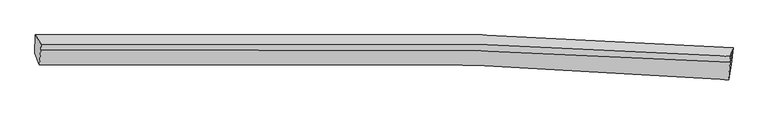
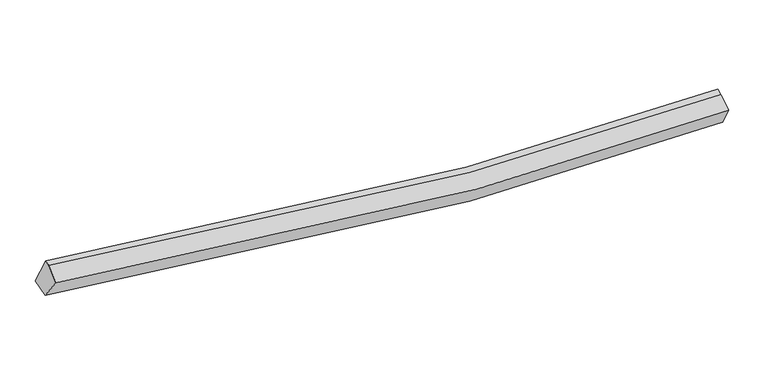
"""IFC4 building model written with IfcOpenShell, lengths in millimetres: proxy geometry."""

import ifcopenshell
import ifcopenshell.guid

model = None  # the IFC model being written
_history = None  # IfcOwnerHistory: only IFC2X3 demands one
_inside = {}  # id of a spatial element -> (the spatial element, [elements in it])
_under = {}  # id of a project, library or spatial element -> (it, [spatial elements below it])
_declared = {}  # id of a project -> (the project, [libraries it declares])
_typed = {}  # id of a type object -> (the type object, [elements of that type])
_made_of = {}  # id of a material, layer set ... -> (it, [elements and type objects made of it])


def new_model(schema):
    """Start an empty IFC model of exactly this schema.

    Asked for "IFC4X3", IfcOpenShell would pick the latest addendum, in which some entities
    have other attributes; the version numbers below select the first issue.
    IFC2X3 requires an IfcOwnerHistory on every rooted entity: one is made here for all.
    """
    global model, _history
    if schema == "IFC4X3":
        model = ifcopenshell.file(schema_version=(4, 3, 0, 0))
    else:
        model = ifcopenshell.file(schema=schema)
    _inside.clear()
    _under.clear()
    _declared.clear()
    _typed.clear()
    _made_of.clear()
    _history = None
    if model.schema == "IFC2X3":
        org = make("IfcOrganization", Name="unknown")
        user = make(
            "IfcPersonAndOrganization",
            ThePerson=make("IfcPerson", FamilyName="unknown"),
            TheOrganization=org,
        )
        app = make(
            "IfcApplication",
            ApplicationDeveloper=org,
            Version="unknown",
            ApplicationFullName="unknown",
            ApplicationIdentifier="unknown",
        )
        _history = make(
            "IfcOwnerHistory",
            OwningUser=user,
            OwningApplication=app,
            ChangeAction="ADDED",
            CreationDate=0,
        )
    return model


def make(cls, **values):
    """One entity of the class cls with the attributes given. An attribute that is None is left unset."""
    return model.create_entity(
        cls, **{name: value for name, value in values.items() if value is not None}
    )


def rooted(cls, **values):
    """An entity with a GlobalId (a new one), such as an element, a storey or a relation."""
    return make(cls, GlobalId=ifcopenshell.guid.new(), OwnerHistory=_history, **values)


def si_unit(unit_type, name, prefix=None):
    """IfcSIUnit, for example si_unit("LENGTHUNIT", "METRE", prefix="MILLI")."""
    return make("IfcSIUnit", UnitType=unit_type, Prefix=prefix, Name=name)


def assignment(units):
    """IfcUnitAssignment: the units of a project."""
    return None if units is None else make("IfcUnitAssignment", Units=units)


def point(xyz):
    """IfcCartesianPoint."""
    return None if xyz is None else make("IfcCartesianPoint", Coordinates=xyz)


def direction(xyz):
    """IfcDirection."""
    return None if xyz is None else make("IfcDirection", DirectionRatios=xyz)


def frame(location, z_axis=None, x_axis=None):
    """IfcAxis2Placement3D, a coordinate frame: its origin and axes. An axis left out is left unset."""
    return make(
        "IfcAxis2Placement3D",
        Location=point(location),
        Axis=direction(z_axis),
        RefDirection=direction(x_axis),
    )


def origin():
    """The frame at (0, 0, 0) with its axes left unset."""
    return frame((0.0, 0.0, 0.0))


def place(relative_to, where):
    """IfcLocalPlacement: puts the frame where relative to a parent placement (None: the world)."""
    return make(
        "IfcLocalPlacement", PlacementRelTo=relative_to, RelativePlacement=where
    )


def context(
    kind, dimensions, precision=None, world=None, true_north=None, identifier=None
):
    """IfcGeometricRepresentationContext, for example the 3D "Model" context."""
    return make(
        "IfcGeometricRepresentationContext",
        ContextIdentifier=identifier,
        ContextType=kind,
        CoordinateSpaceDimension=dimensions,
        Precision=precision,
        WorldCoordinateSystem=world,
        TrueNorth=true_north,
    )


def project(units=None, contexts=None):
    """IfcProject with its units and contexts."""
    return rooted(
        "IfcProject",
        Name="project",
        RepresentationContexts=contexts,
        UnitsInContext=assignment(units),
    )


def spatial(cls, under=None, at=None, **own):
    """A site, building, storey or space (cls), placed at a placement, below another one or the project."""
    s = rooted(cls, ObjectPlacement=at, **own)
    if under is not None:
        _under.setdefault(under.id(), (under, []))[1].append(s)
    return s


def shape(context_of_items, identifier, shape_type, items):
    """IfcShapeRepresentation: the items that make up one representation, for example the "Body"."""
    return make(
        "IfcShapeRepresentation",
        ContextOfItems=context_of_items,
        RepresentationIdentifier=identifier,
        RepresentationType=shape_type,
        Items=items,
    )


def source(mapping_origin, context_of_items, identifier, shape_type, items):
    """IfcRepresentationMap: a shape defined once, which mapped items show again and again."""
    return make(
        "IfcRepresentationMap",
        MappingOrigin=mapping_origin,
        MappedRepresentation=shape(context_of_items, identifier, shape_type, items),
    )


def transform(
    local_origin,
    x_axis=None,
    y_axis=None,
    z_axis=None,
    scale=None,
    scale2=None,
    scale3=None,
    uniform=True,
):
    """IfcCartesianTransformationOperator3D, or its non-uniform kind. x_axis, y_axis, z_axis: its Axis1, 2, 3."""
    if uniform:
        return make(
            "IfcCartesianTransformationOperator3D",
            Axis1=direction(x_axis),
            Axis2=direction(y_axis),
            LocalOrigin=point(local_origin),
            Scale=scale,
            Axis3=direction(z_axis),
        )
    return make(
        "IfcCartesianTransformationOperator3DnonUniform",
        Axis1=direction(x_axis),
        Axis2=direction(y_axis),
        LocalOrigin=point(local_origin),
        Scale=scale,
        Axis3=direction(z_axis),
        Scale2=scale2,
        Scale3=scale3,
    )


def mapped(mapping_source, mapping_target):
    """IfcMappedItem: shows the shape of a source again, moved by a transform."""
    return make(
        "IfcMappedItem", MappingSource=mapping_source, MappingTarget=mapping_target
    )


def made_of(thing, what):
    """Note that an element or type object is made of a material, layer set ...; save() writes the relation."""
    if what is not None:
        _made_of.setdefault(what.id(), (what, []))[1].append(thing)
    return thing


def element(
    cls,
    number,
    at=None,
    inside=None,
    cuts=None,
    type_object=None,
    material=None,
    context=None,
    identifier="Body",
    shape_type=None,
    held_by="IfcProductDefinitionShape",
    body=None,
    shapes=None,
    **own,
):
    """One element of the class cls, such as IfcWall. Its Tag is "e" and its number.

    at: its placement. inside: the storey or other place that contains it. cuts: it is an
    opening in that element (IfcRelVoidsElement). A single representation is given by context,
    identifier, shape_type and body (its items); several are given by shapes. held_by: the class
    of the entity that holds the representations. save() writes the other relations.
    """
    e = rooted(cls, Tag="e%d" % number, ObjectPlacement=at, **own)
    if body is not None:
        shapes = [shape(context, identifier, shape_type, body)]
    if shapes is not None:
        e.Representation = make(held_by, Representations=shapes)
    if inside is not None:
        _inside.setdefault(inside.id(), (inside, []))[1].append(e)
    if cuts is not None:
        rooted(
            "IfcRelVoidsElement", RelatingBuildingElement=cuts, RelatedOpeningElement=e
        )
    if type_object is not None:
        _typed.setdefault(type_object.id(), (type_object, []))[1].append(e)
    return made_of(e, material)


def aggregate(whole, parts):
    """IfcRelAggregates: a whole, such as a stair, and the parts it consists of."""
    return rooted("IfcRelAggregates", RelatingObject=whole, RelatedObjects=parts)


def save(model, path):
    """Write the relations noted so far, then the file.

    IfcRelAggregates (storeys below a building ...), IfcRelContainedInSpatialStructure (elements
    in a storey), IfcRelDefinesByType, IfcRelAssociatesMaterial and IfcRelDeclares: one each for
    every whole, place, type object, material and project.
    """
    for whole, parts in _under.values():
        aggregate(whole, parts)
    for where, things in _inside.values():
        rooted(
            "IfcRelContainedInSpatialStructure",
            RelatedElements=things,
            RelatingStructure=where,
        )
    for kind, things in _typed.values():
        rooted("IfcRelDefinesByType", RelatedObjects=things, RelatingType=kind)
    for what, things in _made_of.values():
        rooted("IfcRelAssociatesMaterial", RelatedObjects=things, RelatingMaterial=what)
    for by, libraries in _declared.values():
        rooted("IfcRelDeclares", RelatingContext=by, RelatedDefinitions=libraries)
    model.write(path)


def plane_surface(at):
    """IfcPlane: the flat surface through the origin of the frame at, square to its z axis."""
    return make("IfcPlane", Position=at)


def spline_curve(degree, points, multiplicities, knots, weights=None):
    """IfcBSplineCurveWithKnots; with weights, IfcRationalBSplineCurveWithKnots."""
    own = dict(
        Degree=degree,
        ControlPointsList=[point(p) for p in points],
        CurveForm="UNSPECIFIED",
        ClosedCurve=False,
        SelfIntersect=False,
        KnotMultiplicities=multiplicities,
        Knots=knots,
        KnotSpec="UNSPECIFIED",
    )
    if weights is None:
        return make("IfcBSplineCurveWithKnots", **own)
    return make("IfcRationalBSplineCurveWithKnots", WeightsData=weights, **own)


def spline_surface(u_degree, v_degree, points, u_multiplicities, v_multiplicities, u_knots, v_knots, weights=None):
    """IfcBSplineSurfaceWithKnots; with weights, IfcRationalBSplineSurfaceWithKnots. points: one row for each step in u."""
    own = dict(
        UDegree=u_degree,
        VDegree=v_degree,
        ControlPointsList=[[point(p) for p in row] for row in points],
        SurfaceForm="UNSPECIFIED",
        UClosed=False,
        VClosed=False,
        SelfIntersect=False,
        UMultiplicities=u_multiplicities,
        VMultiplicities=v_multiplicities,
        UKnots=u_knots,
        VKnots=v_knots,
        KnotSpec="UNSPECIFIED",
    )
    if weights is None:
        return make("IfcBSplineSurfaceWithKnots", **own)
    return make("IfcRationalBSplineSurfaceWithKnots", WeightsData=weights, **own)


def advanced_brep(points, edges, surfaces, faces):
    """IfcAdvancedBrep: a solid bounded by faces that lie on surfaces and meet in shared edges.

    An edge is (start, end): straight between two places in points (the first is 0);
    or (start, end, curve); or (start, end, curve, False) where it runs against its curve.
    A face is (place in surfaces, loops), or (place, loops, False) where it looks against
    its surface's normal. A loop lists edges by number (the first is 1), with a minus sign
    where the edge is run from its end to its start. The first loop is the outer one.
    """
    corners = [point(p) for p in points]
    vertices = [make("IfcVertexPoint", VertexGeometry=c) for c in corners]
    made = []
    for start, end, *more in edges:
        made.append(
            make(
                "IfcEdgeCurve",
                EdgeStart=vertices[start],
                EdgeEnd=vertices[end],
                EdgeGeometry=more[0] if more else make("IfcPolyline", Points=[corners[start], corners[end]]),
                SameSense=more[1] if len(more) > 1 else True,
            )
        )
    hull = []
    for where, loops, *sense in faces:
        bounds = []
        for j, loop in enumerate(loops):
            ring = [make("IfcOrientedEdge", EdgeElement=made[abs(k) - 1], Orientation=k > 0) for k in loop]
            bounds.append(
                make(
                    "IfcFaceOuterBound" if j == 0 else "IfcFaceBound",
                    Bound=make("IfcEdgeLoop", EdgeList=ring),
                    Orientation=True,
                )
            )
        hull.append(make("IfcAdvancedFace", Bounds=bounds, FaceSurface=surfaces[where], SameSense=sense[0] if sense else True))
    return make("IfcAdvancedBrep", Outer=make("IfcClosedShell", CfsFaces=hull))


def generic_models_21e360f7(model_context):
    return source(origin(), model_context, "Body", "AdvancedBrep", [
        advanced_brep(
        [(-9091.9132241, -2034.4553474, 3481.9999715), (-9080.2624027, -1579.3419512, 3606.9242201), (8394.8354421, -1898.0665141, 2473.1559635), (8344.45859, -2331.7425837, 2321.1597825), (-8981.4088271, -2326.9866523, 3970.4815105), (8281.8126395, -2701.2130689, 2909.7708431), (-8944.7455085, -1947.4324894, 4204.560838), (8320.1869628, -2269.6354683, 3059.9814204), (-8939.1187436, -1810.6498686, 4252.3505248), (8326.3958069, -2118.7029212, 3112.7148679)],
        [
            (0, 1),
            (1, 2, spline_curve(3, [(-9080.2624027, -1579.3419512, 3606.9242201), (-5415.282593567, -1464.127436446, 2869.073339047), (-1731.926081318, -1464.701423286, 2447.150997307), (4105.367048731, -1648.194371803, 2280.008510375), (6247.043150976, -1753.861906813, 2324.008100015), (8394.8354421, -1898.0665141, 2473.1559635)], [4, 2, 4], [0.0, 36.490035786757744, 57.54143336344535])),
            (2, 3),
            (3, 0, spline_curve(3, [(8344.45859, -2331.7425837, 2321.1597825), (6211.193251538, -2201.516637004, 2188.803011237), (4080.457206084, -2105.670124888, 2156.659342173), (-1736.736954474, -1937.657352547, 2342.71885344), (-5418.124846827, -1934.408117932, 2761.809252128), (-9091.9132241, -2034.4553474, 3481.9999715)], [4, 2, 4], [0.0, 21.051397576687606, 57.54143336344535])),
            (4, 0),
            (3, 5),
            (5, 4, spline_curve(3, [(8281.8126395, -2701.2130689, 2909.7708431), (6173.409771704, -2535.987492754, 2738.265522112), (4066.165393896, -2414.513255265, 2676.828445618), (-1690.564071002, -2202.067169663, 2809.755827169), (-5337.726849996, -2198.799268397, 3224.763125724), (-8981.4088271, -2326.9866523, 3970.4815105)], [4, 2, 4], [0.0, 20.925558772679665, 57.197468307017125])),
            (6, 4),
            (5, 7),
            (7, 6, spline_curve(3, [(8320.1869628, -2269.6354683, 3059.9814204), (6201.214191681, -2136.279576984, 2919.340915478), (4087.190549651, -2037.33659137, 2881.218625637), (-1677.707965505, -1860.951475325, 3057.237049397), (-5318.661813225, -1852.493467544, 3476.885812192), (-8944.7455085, -1947.4324894, 4204.560838)], [4, 2, 4], [0.0, 20.82396061128739, 56.919762097141714])),
            (8, 6),
            (7, 9),
            (9, 8, spline_curve(3, [(8326.3958069, -2118.7029212, 3112.7148679), (6207.667962051, -1979.393059176, 2974.154586147), (4093.773669893, -1877.305645644, 2937.13090997), (-1671.087188719, -1700.005160912, 3113.469149014), (-5312.364415095, -1699.408222667, 3530.371378246), (-8939.1187436, -1810.6498686, 4252.3505248)], [4, 2, 4], [0.0, 20.822811735562304, 56.916621785163045])),
            (1, 8),
            (9, 2),
            (7, 2),
            (3, 7),
        ],
        [
            spline_surface(3, 3, [[(-9091.9132241, -2034.4553474, 3481.9999715), (-5418.124846367, -1934.408118339, 2761.809252164), (-1736.736953928, -1937.657352147, 2342.718853432), (4080.457205768, -2105.670125118, 2156.659342178), (6211.193251368, -2201.516636757, 2188.803011244), (8344.45859, -2331.7425837, 2321.1597825)], [(-9088.029616978, -1882.750881981, 3523.641387683), (-5417.1774288, -1777.647891095, 2797.563947781), (-1735.133329613, -1780.005375717, 2377.529568048), (4088.760486688, -1953.178207464, 2197.775731607), (6223.143217839, -2052.298393469, 2233.871374169), (8361.25087402, -2187.18389382, 2371.825176169)], [(-9084.146009822, -1731.046416619, 3565.282803917), (-5416.230011199, -1620.887663908, 2833.318643449), (-1733.529705291, -1622.35339922, 2412.340282617), (4097.063767614, -1800.686289744, 2238.892120988), (6235.093184351, -1903.080150221, 2278.939737087), (8378.04315808, -2042.62520398, 2422.490569831)], [(-9080.2624027, -1579.3419512, 3606.9242201), (-5415.282593631, -1464.127436663, 2869.073339066), (-1731.926080976, -1464.70142279, 2447.150997233), (4105.367048533, -1648.194372089, 2280.008510417), (6247.043150822, -1753.861906932, 2324.008100011), (8394.8354421, -1898.0665141, 2473.1559635)]], [4, 4], [4, 2, 4], [0.0, 1.5773062157851852], [0.0, 36.490035786757744, 57.54143336344535]),
            spline_surface(3, 3, [[(-8981.4088271, -2326.9866523, 3970.4815105), (-5337.726849646, -2198.799267845, 3224.763125775), (-1690.564071552, -2202.067169187, 2809.755827089), (4066.165394213, -2414.51325554, 2676.828445664), (6173.409771686, -2535.987493098, 2738.265521906), (8281.8126395, -2701.2130689, 2909.7708431)], [(-9018.243626089, -2229.476217345, 3807.654330839), (-5364.526181875, -2110.668884689, 3070.44516791), (-1705.955032339, -2113.930563503, 2654.076835866), (4070.929331403, -2311.565545395, 2503.438744498), (6186.004264938, -2424.497207673, 2555.111351703), (8302.694623025, -2578.056240522, 2713.567156251)], [(-9055.078425111, -2131.965782355, 3644.827151161), (-5391.325514138, -2022.538501496, 2916.127210028), (-1721.345993141, -2025.793957832, 2498.397844655), (4075.693268579, -2208.617835263, 2330.049043344), (6198.598758116, -2313.006922182, 2371.957181447), (8323.576606475, -2454.899412078, 2517.363469349)], [(-9091.9132241, -2034.4553474, 3481.9999715), (-5418.124846367, -1934.408118339, 2761.809252164), (-1736.736953928, -1937.657352147, 2342.718853432), (4080.457205768, -2105.670125118, 2156.659342178), (6211.193251368, -2201.516636757, 2188.803011244), (8344.45859, -2331.7425837, 2321.1597825)]], [4, 4], [4, 2, 4], [0.0, 1.8330303310566685], [0.0, 36.27190953433746, 57.197468307017125]),
            spline_surface(3, 3, [[(-8944.7455085, -1947.4324894, 4204.560838), (-5318.661813111, -1852.493466996, 3476.885812158), (-1677.70796518, -1860.95147485, 3057.237049639), (4087.190549463, -2037.336591644, 2881.218625497), (6201.214191982, -2136.279576803, 2919.340915458), (8320.1869628, -2269.6354683, 3059.9814204)], [(-8956.966614701, -2073.950543692, 4126.534395515), (-5325.016825291, -1967.928733937, 3392.844916712), (-1681.993333953, -1974.656706277, 2974.743308788), (4080.182164398, -2163.062146257, 2813.088565552), (6191.946051874, -2269.5155489, 2858.982450932), (8307.395521691, -2413.494668498, 3009.911227959)], [(-8969.187720899, -2200.468598008, 4048.507952985), (-5331.371837467, -2083.364000904, 3308.80402122), (-1686.278702779, -2088.36193776, 2892.24956794), (4073.173779278, -2288.787700927, 2744.958505609), (6182.677911794, -2402.751521002, 2798.623986431), (8294.604080609, -2557.353868702, 2959.841035541)], [(-8981.4088271, -2326.9866523, 3970.4815105), (-5337.726849646, -2198.799267845, 3224.763125775), (-1690.564071552, -2202.067169187, 2809.755827089), (4066.165394213, -2414.51325554, 2676.828445664), (6173.409771686, -2535.987493098, 2738.265521906), (8281.8126395, -2701.2130689, 2909.7708431)]], [4, 4], [4, 2, 4], [0.0, 1.3919792651185159], [0.0, 36.095801485854324, 56.919762097141714]),
            spline_surface(3, 3, [[(-8939.1187436, -1810.6498686, 4252.3505248), (-5312.364414557, -1699.408222939, 3530.371377976), (-1671.087189315, -1700.005160713, 3113.469149207), (4093.773670237, -1877.305645758, 2937.130909859), (6207.667961892, -1979.393058889, 2974.1545863), (8326.3958069, -2118.7029212, 3112.7148679)], [(-8940.99433191, -1856.24407553, 4236.420629193), (-5314.463547418, -1750.436637621, 3512.54285603), (-1673.294114608, -1753.653932115, 3094.725116019), (4091.579296641, -1930.64929441, 2918.493481739), (6205.516705269, -2031.688564853, 2955.883362677), (8324.326192214, -2169.013770226, 3095.137052058)], [(-8942.86992019, -1901.83828247, 4220.490733607), (-5316.562680251, -1801.465052314, 3494.714334104), (-1675.501039887, -1807.302703447, 3075.981082828), (4089.384923059, -1983.992942992, 2899.856053616), (6203.365448605, -2083.984070839, 2937.612139081), (8322.256577486, -2219.324619274, 3077.559236242)], [(-8944.7455085, -1947.4324894, 4204.560838), (-5318.661813111, -1852.493466996, 3476.885812158), (-1677.70796518, -1860.95147485, 3057.237049639), (4087.190549463, -2037.336591644, 2881.218625497), (6201.214191982, -2136.279576803, 2919.340915458), (8320.1869628, -2269.6354683, 3059.9814204)]], [4, 4], [4, 2, 4], [0.0, 0.5550824194293711], [0.0, 36.09381004960074, 56.916621785163045]),
            spline_surface(3, 3, [[(-9080.2624027, -1579.3419512, 3606.9242201), (-5415.282593631, -1464.127436663, 2869.073339066), (-1731.926080976, -1464.70142279, 2447.150997233), (4105.367048533, -1648.194372089, 2280.008510417), (6247.043150822, -1753.861906932, 2324.008100011), (8394.8354421, -1898.0665141, 2473.1559635)], [(-9033.214516323, -1656.444590352, 3822.066321669), (-5380.976533929, -1542.554365441, 3089.506018705), (-1711.646450438, -1543.136002076, 2669.257047879), (4101.502589085, -1724.564796624, 2499.049310219), (6233.91808783, -1829.038957586, 2540.723595438), (8372.022230351, -1971.611983134, 2686.342264964)], [(-8986.166629977, -1733.547229448, 4037.208423231), (-5346.670474259, -1620.981294161, 3309.938698337), (-1691.366819853, -1621.570581427, 2891.363098562), (4097.638129685, -1800.935221224, 2718.090110057), (6220.793024884, -1904.216008236, 2757.439090873), (8349.209018649, -2045.157452166, 2899.528566436)], [(-8939.1187436, -1810.6498686, 4252.3505248), (-5312.364414557, -1699.408222939, 3530.371377976), (-1671.087189315, -1700.005160713, 3113.469149207), (4093.773670237, -1877.305645758, 2937.130909859), (6207.667961892, -1979.393058889, 2974.1545863), (8326.3958069, -2118.7029212, 3112.7148679)]], [4, 4], [4, 2, 4], [0.0, 2.309568042170699], [0.0, 36.3138031209669, 57.26353064352678]),
            plane_surface(frame((-9007.4897412, -1939.7732618, 3903.263413), z_axis=(-0.9786919647166339, -0.030675361294574863, 0.20302970326664616), x_axis=(-0.024679179934607554, -0.9640372162445704, -0.2646189406924127))),
            plane_surface(frame((8347.1394039, -2095.4683012, 2881.9507506), z_axis=(0.9941651915692769, -0.06966892847409277, 0.082351759406187), x_axis=(0.10685898727375992, 0.5318994106172255, -0.8400381978361904))),
            plane_surface(frame((8315.4860641, -2434.1970403, 2763.6373487), z_axis=(0.9938511272261692, -0.10273936133151919, 0.04128632393983214), x_axis=(-0.08368087724530342, -0.9411186722193706, -0.32755633955627456))),
            plane_surface(frame((8353.1603316, -2166.481522, 2618.0990555), z_axis=(0.9905194847184461, -0.13030507472983147, 0.043494113311539614), x_axis=(0.03271881986376693, -0.08372209668256399, -0.9959518509214177))),
        ],
        [
            (0, [[1, 2, 3, 4]]),
            (1, [[5, -4, 6, 7]]),
            (2, [[8, -7, 9, 10]]),
            (3, [[11, -10, 12, 13]]),
            (4, [[14, -13, 15, -2]]),
            (5, [[-1, -5, -8, -11, -14]]),
            (6, [[16, -15, -12]]),
            (7, [[-9, -6, 17]]),
            (8, [[-17, -3, -16]]),
        ],
    ),
    ])


if __name__ == "__main__":
    model = new_model("IFC4")
    model_context = context("Model", 3, world=origin())
    ifc_project = project(units=[si_unit("LENGTHUNIT", "METRE", prefix="MILLI")], contexts=[model_context])
    site = spatial("IfcSite", under=ifc_project)
    building = spatial("IfcBuilding", under=site)
    placement = place(None, origin())
    generic_models_shape = generic_models_21e360f7(model_context)
    element("IfcBuildingElementProxy", 1, Name="Generic Models", at=placement, inside=building, context=model_context, shape_type="MappedRepresentation", body=[
        mapped(generic_models_shape, transform((0.0, 0.0, 0.0), x_axis=(1.0, 0.0, 0.0), y_axis=(0.0, 1.0, 0.0), z_axis=(0.0, 0.0, 1.0))),
    ])
    save(model, "model.ifc")
